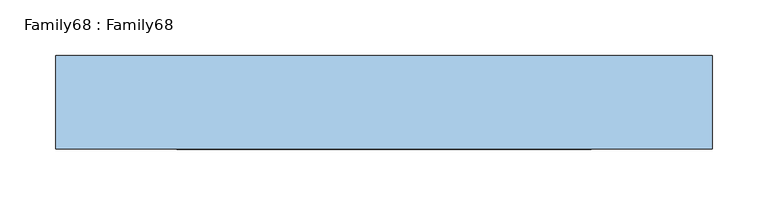
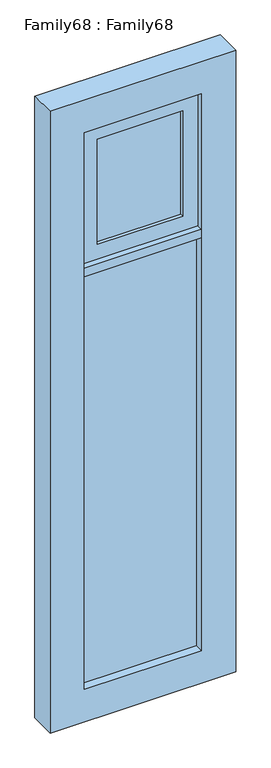
"""IFC4 building model written with IfcOpenShell, lengths in millimetres: window geometry, Family68 : Family68."""

from ifc_helpers import new_model, si_unit, frame, origin, place, context, project, spatial, polyline, outline, extrude, source, transform, mapped, element, save


def family68_family68_c2913c8e(model_context):
    return source(origin(), model_context, "Body", "SweptSolid", [
        extrude(outline(polyline([(186.0, 14.0), (186.0, 10.0), (-186.0, 10.0), (-186.0, 14.0), (186.0, 14.0)])), frame((0.0, 0.0, 209.0), z_axis=(0.0, 0.0, 1.0), x_axis=(1.0, 0.0, 0.0)), (0.0, 0.0, 1.0), 1388.0),
        extrude(outline(polyline([(186.0, -10.0), (186.0, -14.0), (-186.0, -14.0), (-186.0, -10.0), (186.0, -10.0)])), frame((0.0, 0.0, 209.0), z_axis=(0.0, 0.0, 1.0), x_axis=(1.0, 0.0, 0.0)), (0.0, 0.0, 1.0), 1388.0),
        extrude(outline(polyline([(2190.0, 295.0), (2190.0, -295.0), (100.0, -295.0), (100.0, 295.0), (2190.0, 295.0)]), holes=[polyline([(209.0, 186.0), (209.0, -186.0), (2081.0, -186.0), (2081.0, 186.0), (209.0, 186.0)])]), frame((0.0, -42.0, 0.0), z_axis=(0.0, 1.0, 0.0), x_axis=(0.0, 0.0, 1.0)), (0.0, 0.0, 1.0), 84.0),
        extrude(outline(polyline([(136.0, 14.0), (136.0, 10.0), (-136.0, 10.0), (-136.0, 14.0), (136.0, 14.0)])), frame((0.0, 0.0, 1677.0), z_axis=(0.0, 0.0, 1.0), x_axis=(1.0, 0.0, 0.0)), (0.0, 0.0, 1.0), 354.0),
        extrude(outline(polyline([(136.0, -10.0), (136.0, -14.0), (-136.0, -14.0), (-136.0, -10.0), (136.0, -10.0)])), frame((0.0, 0.0, 1677.0), z_axis=(0.0, 0.0, 1.0), x_axis=(1.0, 0.0, 0.0)), (0.0, 0.0, 1.0), 354.0),
        extrude(outline(polyline([(186.0, -42.0), (-186.0, -42.0), (-186.0, 42.0), (186.0, 42.0), (186.0, -42.0)])), frame((0.0, 0.0, 1597.0), z_axis=(0.0, 0.0, 1.0), x_axis=(1.0, 0.0, 0.0)), (0.0, 0.0, 1.0), 27.9153805),
        extrude(outline(polyline([(2079.4856925, 184.2146012), (2079.4856925, -184.0483432), (1627.0, -184.0483432), (1627.0, 184.2146012), (2079.4856925, 184.2146012)]), holes=[polyline([(1677.0, 136.0), (1677.0, -136.0), (2031.0, -136.0), (2031.0, 136.0), (1677.0, 136.0)])]), frame((0.0, -24.8246166, 0.0), z_axis=(0.0, 1.0, 0.0), x_axis=(0.0, 0.0, 1.0)), (0.0, 0.0, 1.0), 64.5445733),
    ])


if __name__ == "__main__":
    model = new_model("IFC4")
    model_context = context("Model", 3, world=origin())
    ifc_project = project(units=[si_unit("LENGTHUNIT", "METRE", prefix="MILLI")], contexts=[model_context])
    site = spatial("IfcSite", under=ifc_project)
    building = spatial("IfcBuilding", under=site)
    placement = place(None, origin())
    family68_family68_shape = family68_family68_c2913c8e(model_context)
    element("IfcWindow", 1, ObjectType="Family68 : Family68", at=placement, inside=building, context=model_context, shape_type="MappedRepresentation", body=[
        mapped(family68_family68_shape, transform((0.0, 0.0, 0.0), x_axis=(1.0, 0.0, 0.0), y_axis=(0.0, 1.0, 0.0), z_axis=(0.0, 0.0, 1.0))),
    ])
    save(model, "model.ifc")
